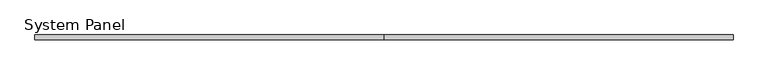
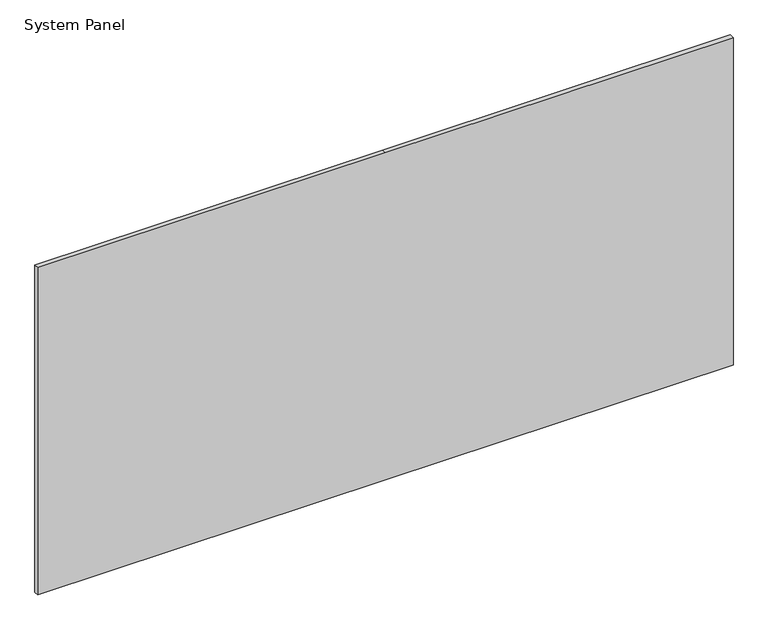
"""IFC4 building model written with IfcOpenShell, lengths in millimetres: plate geometry, System Panel."""

from ifc_helpers import new_model, si_unit, frame, origin, place, context, project, spatial, polyline, outline, extrude, source, transform, mapped, element, save


def system_panel_d4b1a471(model_context):
    return source(origin(), model_context, "Body", "SweptSolid", [
        extrude(outline(polyline([(0.0, -1195.0), (0.0, 0.0), (0.0, 1195.0), (1190.0, 1195.0), (1190.0, 0.0), (1190.0, -1195.0), (0.0, -1195.0)])), frame((0.0, -8.0, 0.0), z_axis=(0.0, 1.0, 0.0), x_axis=(0.0, 0.0, 1.0)), (0.0, 0.0, 1.0), 16.0),
    ])


if __name__ == "__main__":
    model = new_model("IFC4")
    model_context = context("Model", 3, world=origin())
    ifc_project = project(units=[si_unit("LENGTHUNIT", "METRE", prefix="MILLI")], contexts=[model_context])
    site = spatial("IfcSite", under=ifc_project)
    building = spatial("IfcBuilding", under=site)
    placement = place(None, origin())
    system_panel_shape = system_panel_d4b1a471(model_context)
    element("IfcPlate", 1, ObjectType="System Panel", at=placement, inside=building, context=model_context, shape_type="MappedRepresentation", body=[
        mapped(system_panel_shape, transform((0.0, 0.0, 0.0), x_axis=(1.0, 0.0, 0.0), y_axis=(0.0, 1.0, 0.0), z_axis=(0.0, 0.0, 1.0))),
    ])
    save(model, "model.ifc")
